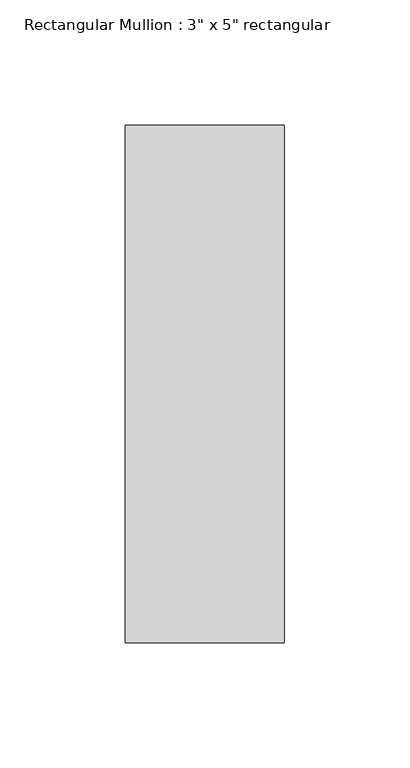
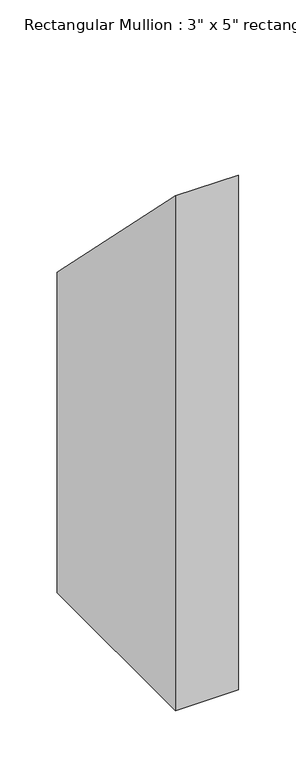
"""IFC4 building model written with IfcOpenShell, lengths in millimetres: member geometry."""

from ifc_helpers import new_model, si_unit, frame, origin, place, context, project, spatial, polyline, outline, extrude, source, transform, mapped, element, save


def member_d57bf188(model_context):
    return source(origin(), model_context, "Body", "SweptSolid", [
        extrude(outline(polyline([(-115.951, 115.951), (90.551, -90.551), (90.551, -431.8), (-115.951, -431.8), (-115.951, 115.951)])), frame((-63.5, 0.0, 0.0), z_axis=(1.0, 0.0, 0.0), x_axis=(0.0, 1.0, 0.0)), (0.0, 0.0, 1.0), 63.5),
    ])


if __name__ == "__main__":
    model = new_model("IFC4")
    model_context = context("Model", 3, world=origin())
    ifc_project = project(units=[si_unit("LENGTHUNIT", "METRE", prefix="MILLI")], contexts=[model_context])
    site = spatial("IfcSite", under=ifc_project)
    building = spatial("IfcBuilding", under=site)
    placement = place(None, origin())
    member_shape = member_d57bf188(model_context)
    element("IfcMember", 1, ObjectType="Rectangular Mullion : 3\" x 5\" rectangular", at=placement, inside=building, context=model_context, shape_type="MappedRepresentation", body=[
        mapped(member_shape, transform((0.0, 0.0, 0.0), x_axis=(1.0, 0.0, 0.0), y_axis=(0.0, 1.0, 0.0), z_axis=(0.0, 0.0, 1.0))),
    ])
    save(model, "model.ifc")
